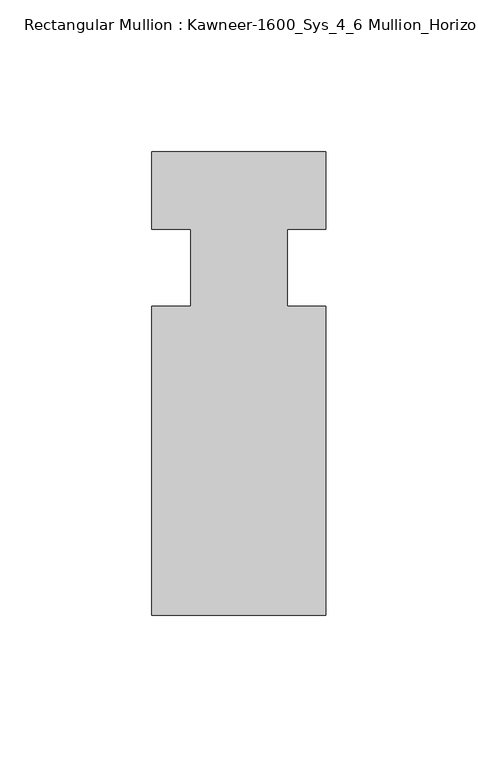
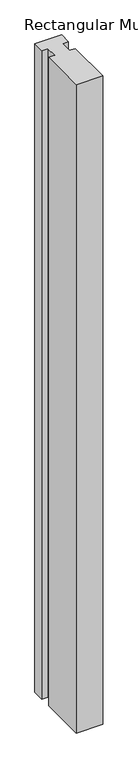
"""IFC4 building model written with IfcOpenShell, lengths in millimetres: member geometry, Rectangular Mullion : Kawneer-1600_Sys_4_6 Mullion_Horizontal."""

from ifc_helpers import new_model, si_unit, frame, origin, place, context, project, spatial, polyline, outline, extrude, source, transform, mapped, element, save


def rectangular_mullion_kawneer_1600_sys_4_6_mullion_horizontal_e8d057d8(model_context):
    return source(origin(), model_context, "Body", "SweptSolid", [
        extrude(outline(polyline([(32.9094027, -114.3), (-24.2405973, -114.3), (-24.2405973, -12.7), (-11.5405973, -12.7), (-11.5405973, 12.7), (-24.2405973, 12.7), (-24.2405973, 38.1), (32.9094027, 38.1), (32.9094027, 12.7), (20.2076322, 12.7), (20.2076322, -12.7), (32.9094027, -12.7), (32.9094027, -114.3)])), frame((0.0, 0.0, -1466.85), z_axis=(0.0, 0.0, 1.0), x_axis=(1.0, 0.0, 0.0)), (0.0, 0.0, 1.0), 1466.85),
    ])


if __name__ == "__main__":
    model = new_model("IFC4")
    model_context = context("Model", 3, world=origin())
    ifc_project = project(units=[si_unit("LENGTHUNIT", "METRE", prefix="MILLI")], contexts=[model_context])
    site = spatial("IfcSite", under=ifc_project)
    building = spatial("IfcBuilding", under=site)
    placement = place(None, origin())
    rectangular_mullion_kawneer_1600_sys_4_6_mullion_horizontal_shape = rectangular_mullion_kawneer_1600_sys_4_6_mullion_horizontal_e8d057d8(model_context)
    element("IfcMember", 1, ObjectType="Rectangular Mullion : Kawneer-1600_Sys_4_6 Mullion_Horizontal", at=placement, inside=building, context=model_context, shape_type="MappedRepresentation", body=[
        mapped(rectangular_mullion_kawneer_1600_sys_4_6_mullion_horizontal_shape, transform((0.0, 0.0, 0.0), x_axis=(1.0, 0.0, 0.0), y_axis=(0.0, 1.0, 0.0), z_axis=(0.0, 0.0, 1.0))),
    ])
    save(model, "model.ifc")
